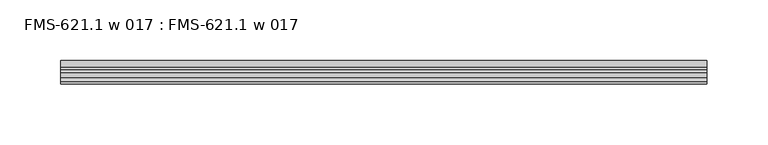
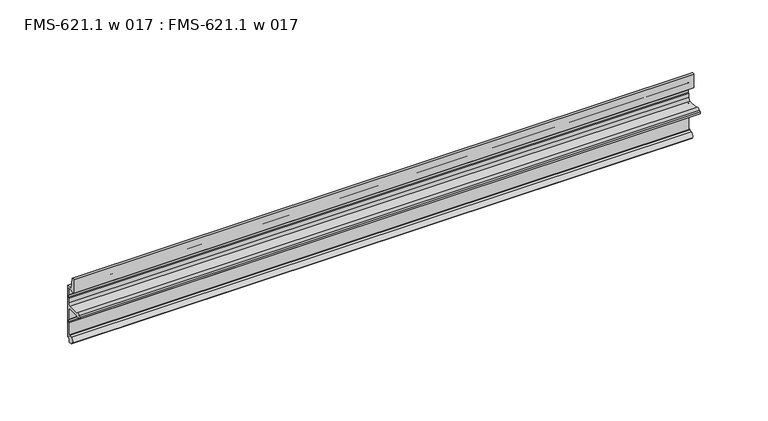
"""IFC4 building model written with IfcOpenShell, lengths in millimetres: proxy geometry, FMS-621.1 w 017 : FMS-621.1 w 017."""

from ifc_helpers import new_model, si_unit, point, frame, frame_2d, origin, place, context, project, spatial, polyline, circle_curve, trimmed, segment, composite_curve, outline, extrude, source, transform, mapped, element, save


def fms_621_1_w_017_fms_621_1_w_017_4b572109(model_context):
    return source(origin(), model_context, "Body", "SweptSolid", [
        extrude(outline(composite_curve([segment(polyline([(0.0, 3.5976257), (-1.3075622, 3.5976257)]), True, "CONTINUOUS"), segment(trimmed(circle_curve(frame_2d((-1.3075622, 2.0101257)), 1.5875), [point((-1.3075622, 3.5976257))], [point((-2.8950622, 2.0101257))], True, "CARTESIAN"), True, "CONTINUOUS"), segment(polyline([(-2.8950622, 2.0101257), (-2.8950622, 0.5821892)]), True, "CONTINUOUS"), segment(trimmed(circle_curve(frame_2d((-3.2390394, 0.3648147)), 0.4069054), [point((-2.8950622, 0.5821892))], [point((-3.4192677, 0.0))], False, "CARTESIAN"), True, "CONTINUOUS"), segment(polyline([(-3.4192677, 0.0), (-5.4099313, 0.6213088)]), True, "CONTINUOUS"), segment(trimmed(circle_curve(frame_2d((-4.5018192, 3.5308855)), 3.048), [point((-5.4099313, 0.6213088))], [point((-7.1037699, 1.9433855))], False, "CARTESIAN"), True, "CONTINUOUS"), segment(trimmed(circle_curve(frame_2d((-4.5018192, 3.5308855)), 3.048), [point((-7.1037699, 1.9433855))], [point((-5.4099313, 6.4404622))], False, "CARTESIAN"), True, "CONTINUOUS"), segment(polyline([(-5.4099313, 6.4404622), (-3.594244, 7.0071589)]), True, "CONTINUOUS"), segment(trimmed(circle_curve(frame_2d((-3.2930749, 6.7333166)), 0.4070533), [point((-3.594244, 7.0071589))], [point((-2.8945091, 6.6506262))], False, "CARTESIAN"), True, "CONTINUOUS"), segment(polyline([(-2.8945091, 6.6506262), (-2.8345669, 5.8400772)]), True, "CONTINUOUS"), segment(trimmed(circle_curve(frame_2d((-2.2172671, 6.0403604)), 0.6489779), [point((-2.8345669, 5.8400772))], [point((-1.5875, 5.8836257))], True, "CARTESIAN"), True, "CONTINUOUS"), segment(polyline([(-1.5875, 5.8836257), (-1.5875, 17.0712378), (-1.0783361, 17.6781651), (-1.0783361, 19.6174727), (-1.5875, 20.2462378), (-1.5875, 28.7874992)]), True, "CONTINUOUS"), segment(trimmed(circle_curve(frame_2d((-3.6195, 28.7874992)), 2.032), [point((-1.5875, 28.7874992))], [point((-3.6195, 30.8194992))], True, "CARTESIAN"), True, "CONTINUOUS"), segment(polyline([(-3.6195, 30.8194992), (-13.9023465, 30.8194992)]), True, "CONTINUOUS"), segment(trimmed(circle_curve(frame_2d((-15.4225031, 31.2406846)), 1.5774262), [point((-13.9023465, 30.8194992))], [point((-16.9973031, 31.1496992))], False, "CARTESIAN"), True, "CONTINUOUS"), segment(polyline([(-16.9973031, 31.1496992), (-19.1515193, 31.1496992), (-19.1515193, 32.7371992), (-16.9973031, 32.7371992)]), True, "CONTINUOUS"), segment(trimmed(circle_curve(frame_2d((-15.4225031, 32.6462138)), 1.5774262), [point((-16.9973031, 32.7371992))], [point((-13.9023465, 33.0673992))], False, "CARTESIAN"), True, "CONTINUOUS"), segment(polyline([(-13.9023465, 33.0673992), (-3.6195, 33.0673992)]), True, "CONTINUOUS"), segment(trimmed(circle_curve(frame_2d((-3.6195, 35.0993992)), 2.032), [point((-3.6195, 33.0673992))], [point((-1.5875, 35.0993992))], True, "CARTESIAN"), True, "CONTINUOUS"), segment(polyline([(-1.5875, 35.0993992), (-1.5875, 39.0871991), (-1.0783361, 39.7141868), (-1.0783361, 41.6554013), (-1.5875, 42.2621991), (-1.5875, 47.8171791)]), True, "CONTINUOUS"), segment(trimmed(circle_curve(frame_2d((-2.38252, 47.8171791)), 0.79502), [point((-1.5875, 47.8171791))], [point((-2.38252, 48.6121991))], True, "CARTESIAN"), True, "CONTINUOUS"), segment(polyline([(-2.38252, 48.6121991), (-9.525, 48.6121991), (-9.525, 60.7630861)]), True, "CONTINUOUS"), segment(trimmed(circle_curve(frame_2d((-8.3643154, 59.5243243)), 1.6975628), [point((-9.525, 60.7630861))], [point((-7.2036308, 60.7630861))], False, "CARTESIAN"), True, "CONTINUOUS"), segment(polyline([(-7.2036308, 60.7630861), (-5.392657, 50.1869991), (0.0, 50.1869991), (0.0, 3.5976257)]), True, "CONTINUOUS")], self_intersect=False)), frame((0.0, 0.0, 0.0), z_axis=(1.0, 0.0, 0.0), x_axis=(0.0, 1.0, 0.0)), (0.0, 0.0, 1.0), 530.225),
    ])


if __name__ == "__main__":
    model = new_model("IFC4")
    model_context = context("Model", 3, world=origin())
    ifc_project = project(units=[si_unit("LENGTHUNIT", "METRE", prefix="MILLI")], contexts=[model_context])
    site = spatial("IfcSite", under=ifc_project)
    building = spatial("IfcBuilding", under=site)
    placement = place(None, origin())
    fms_621_1_w_017_fms_621_1_w_017_shape = fms_621_1_w_017_fms_621_1_w_017_4b572109(model_context)
    element("IfcBuildingElementProxy", 1, Name="FMS-621.1 w 017 : FMS-621.1 w 017", ObjectType="FMS-621.1 w 017 : FMS-621.1 w 017", at=placement, inside=building, context=model_context, shape_type="MappedRepresentation", body=[
        mapped(fms_621_1_w_017_fms_621_1_w_017_shape, transform((0.0, 0.0, 0.0), x_axis=(1.0, 0.0, 0.0), y_axis=(0.0, 1.0, 0.0), z_axis=(0.0, 0.0, 1.0))),
    ])
    save(model, "model.ifc")
